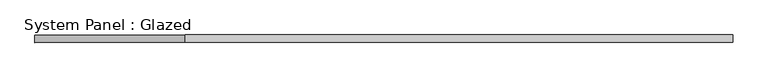
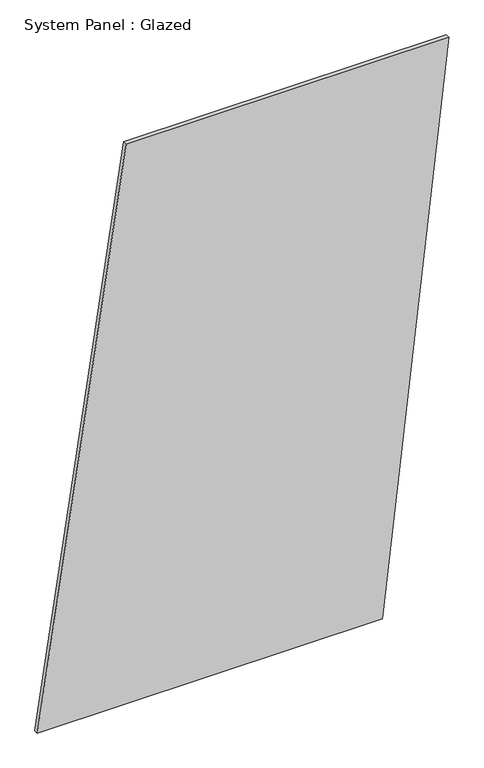
"""IFC4 building model written with IfcOpenShell, lengths in millimetres: plate geometry, System Panel : Glazed."""

from ifc_helpers import new_model, si_unit, frame, origin, place, context, project, spatial, polyline, outline, extrude, source, transform, mapped, element, save


def system_panel_glazed_5db95857(model_context):
    return source(origin(), model_context, "Body", "SweptSolid", [
        extrude(outline(polyline([(0.0, -1160.6602084), (0.0, 785.5618408), (3333.4344564, 1160.6602084), (3333.4344564, -660.5290516), (0.0, -1160.6602084)])), frame((0.0, -49.5, 0.0), z_axis=(0.0, 1.0, 0.0), x_axis=(0.0, 0.0, 1.0)), (0.0, 0.0, 1.0), 25.0),
    ])


if __name__ == "__main__":
    model = new_model("IFC4")
    model_context = context("Model", 3, world=origin())
    ifc_project = project(units=[si_unit("LENGTHUNIT", "METRE", prefix="MILLI")], contexts=[model_context])
    site = spatial("IfcSite", under=ifc_project)
    building = spatial("IfcBuilding", under=site)
    placement = place(None, origin())
    system_panel_glazed_shape = system_panel_glazed_5db95857(model_context)
    element("IfcPlate", 1, ObjectType="System Panel : Glazed", at=placement, inside=building, context=model_context, shape_type="MappedRepresentation", body=[
        mapped(system_panel_glazed_shape, transform((0.0, 0.0, 0.0), x_axis=(1.0, 0.0, 0.0), y_axis=(0.0, 1.0, 0.0), z_axis=(0.0, 0.0, 1.0))),
    ])
    save(model, "model.ifc")
